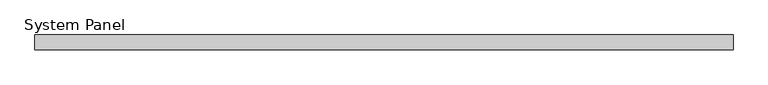
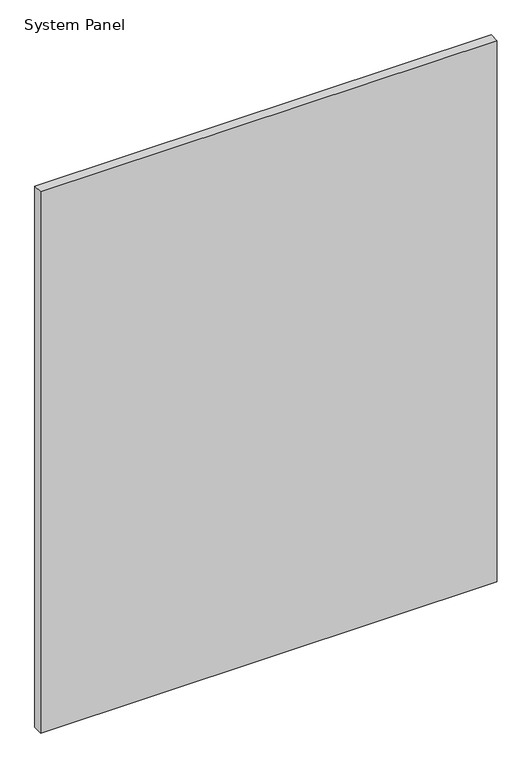
"""IFC4 building model written with IfcOpenShell, lengths in millimetres: plate geometry, System Panel."""

import ifcopenshell
import ifcopenshell.guid

model = None  # the IFC model being written
_history = None  # IfcOwnerHistory: only IFC2X3 demands one
_inside = {}  # id of a spatial element -> (the spatial element, [elements in it])
_under = {}  # id of a project, library or spatial element -> (it, [spatial elements below it])
_declared = {}  # id of a project -> (the project, [libraries it declares])
_typed = {}  # id of a type object -> (the type object, [elements of that type])
_made_of = {}  # id of a material, layer set ... -> (it, [elements and type objects made of it])


def new_model(schema):
    """Start an empty IFC model of exactly this schema.

    Asked for "IFC4X3", IfcOpenShell would pick the latest addendum, in which some entities
    have other attributes; the version numbers below select the first issue.
    IFC2X3 requires an IfcOwnerHistory on every rooted entity: one is made here for all.
    """
    global model, _history
    if schema == "IFC4X3":
        model = ifcopenshell.file(schema_version=(4, 3, 0, 0))
    else:
        model = ifcopenshell.file(schema=schema)
    _inside.clear()
    _under.clear()
    _declared.clear()
    _typed.clear()
    _made_of.clear()
    _history = None
    if model.schema == "IFC2X3":
        org = make("IfcOrganization", Name="unknown")
        user = make(
            "IfcPersonAndOrganization",
            ThePerson=make("IfcPerson", FamilyName="unknown"),
            TheOrganization=org,
        )
        app = make(
            "IfcApplication",
            ApplicationDeveloper=org,
            Version="unknown",
            ApplicationFullName="unknown",
            ApplicationIdentifier="unknown",
        )
        _history = make(
            "IfcOwnerHistory",
            OwningUser=user,
            OwningApplication=app,
            ChangeAction="ADDED",
            CreationDate=0,
        )
    return model


def make(cls, **values):
    """One entity of the class cls with the attributes given. An attribute that is None is left unset."""
    return model.create_entity(
        cls, **{name: value for name, value in values.items() if value is not None}
    )


def rooted(cls, **values):
    """An entity with a GlobalId (a new one), such as an element, a storey or a relation."""
    return make(cls, GlobalId=ifcopenshell.guid.new(), OwnerHistory=_history, **values)


def si_unit(unit_type, name, prefix=None):
    """IfcSIUnit, for example si_unit("LENGTHUNIT", "METRE", prefix="MILLI")."""
    return make("IfcSIUnit", UnitType=unit_type, Prefix=prefix, Name=name)


def assignment(units):
    """IfcUnitAssignment: the units of a project."""
    return None if units is None else make("IfcUnitAssignment", Units=units)


def point(xyz):
    """IfcCartesianPoint."""
    return None if xyz is None else make("IfcCartesianPoint", Coordinates=xyz)


def direction(xyz):
    """IfcDirection."""
    return None if xyz is None else make("IfcDirection", DirectionRatios=xyz)


def frame(location, z_axis=None, x_axis=None):
    """IfcAxis2Placement3D, a coordinate frame: its origin and axes. An axis left out is left unset."""
    return make(
        "IfcAxis2Placement3D",
        Location=point(location),
        Axis=direction(z_axis),
        RefDirection=direction(x_axis),
    )


def origin():
    """The frame at (0, 0, 0) with its axes left unset."""
    return frame((0.0, 0.0, 0.0))


def origin_with_axes():
    """The frame at (0, 0, 0) with the z axis (0, 0, 1) and the x axis (1, 0, 0) written out."""
    return frame((0.0, 0.0, 0.0), z_axis=(0.0, 0.0, 1.0), x_axis=(1.0, 0.0, 0.0))


def place(relative_to, where):
    """IfcLocalPlacement: puts the frame where relative to a parent placement (None: the world)."""
    return make(
        "IfcLocalPlacement", PlacementRelTo=relative_to, RelativePlacement=where
    )


def context(
    kind, dimensions, precision=None, world=None, true_north=None, identifier=None
):
    """IfcGeometricRepresentationContext, for example the 3D "Model" context."""
    return make(
        "IfcGeometricRepresentationContext",
        ContextIdentifier=identifier,
        ContextType=kind,
        CoordinateSpaceDimension=dimensions,
        Precision=precision,
        WorldCoordinateSystem=world,
        TrueNorth=true_north,
    )


def project(units=None, contexts=None):
    """IfcProject with its units and contexts."""
    return rooted(
        "IfcProject",
        Name="project",
        RepresentationContexts=contexts,
        UnitsInContext=assignment(units),
    )


def spatial(cls, under=None, at=None, **own):
    """A site, building, storey or space (cls), placed at a placement, below another one or the project."""
    s = rooted(cls, ObjectPlacement=at, **own)
    if under is not None:
        _under.setdefault(under.id(), (under, []))[1].append(s)
    return s


def polyline(points):
    """IfcPolyline through the points."""
    return make("IfcPolyline", Points=[point(p) for p in points])


def outline(outer, holes=None, kind="AREA"):
    """IfcArbitraryClosedProfileDef: a profile drawn as a closed curve; with holes, ...WithVoids."""
    if holes is None:
        return make("IfcArbitraryClosedProfileDef", ProfileType=kind, OuterCurve=outer)
    return make(
        "IfcArbitraryProfileDefWithVoids",
        ProfileType=kind,
        OuterCurve=outer,
        InnerCurves=holes,
    )


def extrude(swept, where, along, depth):
    """IfcExtrudedAreaSolid: the profile swept, set in the frame where, extruded along a direction by depth."""
    return make(
        "IfcExtrudedAreaSolid",
        SweptArea=swept,
        Position=where,
        ExtrudedDirection=direction(along),
        Depth=depth,
    )


def shape(context_of_items, identifier, shape_type, items):
    """IfcShapeRepresentation: the items that make up one representation, for example the "Body"."""
    return make(
        "IfcShapeRepresentation",
        ContextOfItems=context_of_items,
        RepresentationIdentifier=identifier,
        RepresentationType=shape_type,
        Items=items,
    )


def source(mapping_origin, context_of_items, identifier, shape_type, items):
    """IfcRepresentationMap: a shape defined once, which mapped items show again and again."""
    return make(
        "IfcRepresentationMap",
        MappingOrigin=mapping_origin,
        MappedRepresentation=shape(context_of_items, identifier, shape_type, items),
    )


def transform(
    local_origin,
    x_axis=None,
    y_axis=None,
    z_axis=None,
    scale=None,
    scale2=None,
    scale3=None,
    uniform=True,
):
    """IfcCartesianTransformationOperator3D, or its non-uniform kind. x_axis, y_axis, z_axis: its Axis1, 2, 3."""
    if uniform:
        return make(
            "IfcCartesianTransformationOperator3D",
            Axis1=direction(x_axis),
            Axis2=direction(y_axis),
            LocalOrigin=point(local_origin),
            Scale=scale,
            Axis3=direction(z_axis),
        )
    return make(
        "IfcCartesianTransformationOperator3DnonUniform",
        Axis1=direction(x_axis),
        Axis2=direction(y_axis),
        LocalOrigin=point(local_origin),
        Scale=scale,
        Axis3=direction(z_axis),
        Scale2=scale2,
        Scale3=scale3,
    )


def mapped(mapping_source, mapping_target):
    """IfcMappedItem: shows the shape of a source again, moved by a transform."""
    return make(
        "IfcMappedItem", MappingSource=mapping_source, MappingTarget=mapping_target
    )


def made_of(thing, what):
    """Note that an element or type object is made of a material, layer set ...; save() writes the relation."""
    if what is not None:
        _made_of.setdefault(what.id(), (what, []))[1].append(thing)
    return thing


def element(
    cls,
    number,
    at=None,
    inside=None,
    cuts=None,
    type_object=None,
    material=None,
    context=None,
    identifier="Body",
    shape_type=None,
    held_by="IfcProductDefinitionShape",
    body=None,
    shapes=None,
    **own,
):
    """One element of the class cls, such as IfcWall. Its Tag is "e" and its number.

    at: its placement. inside: the storey or other place that contains it. cuts: it is an
    opening in that element (IfcRelVoidsElement). A single representation is given by context,
    identifier, shape_type and body (its items); several are given by shapes. held_by: the class
    of the entity that holds the representations. save() writes the other relations.
    """
    e = rooted(cls, Tag="e%d" % number, ObjectPlacement=at, **own)
    if body is not None:
        shapes = [shape(context, identifier, shape_type, body)]
    if shapes is not None:
        e.Representation = make(held_by, Representations=shapes)
    if inside is not None:
        _inside.setdefault(inside.id(), (inside, []))[1].append(e)
    if cuts is not None:
        rooted(
            "IfcRelVoidsElement", RelatingBuildingElement=cuts, RelatedOpeningElement=e
        )
    if type_object is not None:
        _typed.setdefault(type_object.id(), (type_object, []))[1].append(e)
    return made_of(e, material)


def aggregate(whole, parts):
    """IfcRelAggregates: a whole, such as a stair, and the parts it consists of."""
    return rooted("IfcRelAggregates", RelatingObject=whole, RelatedObjects=parts)


def save(model, path):
    """Write the relations noted so far, then the file.

    IfcRelAggregates (storeys below a building ...), IfcRelContainedInSpatialStructure (elements
    in a storey), IfcRelDefinesByType, IfcRelAssociatesMaterial and IfcRelDeclares: one each for
    every whole, place, type object, material and project.
    """
    for whole, parts in _under.values():
        aggregate(whole, parts)
    for where, things in _inside.values():
        rooted(
            "IfcRelContainedInSpatialStructure",
            RelatedElements=things,
            RelatingStructure=where,
        )
    for kind, things in _typed.values():
        rooted("IfcRelDefinesByType", RelatedObjects=things, RelatingType=kind)
    for what, things in _made_of.values():
        rooted("IfcRelAssociatesMaterial", RelatedObjects=things, RelatingMaterial=what)
    for by, libraries in _declared.values():
        rooted("IfcRelDeclares", RelatingContext=by, RelatedDefinitions=libraries)
    model.write(path)


def system_panel_3c3e7b29(model_context):
    return source(origin(), model_context, "Body", "SweptSolid", [
        extrude(outline(polyline([(590.55, -22.225), (-590.55, -22.225), (-590.55, 3.175), (590.55, 3.175), (590.55, -22.225)])), origin_with_axes(), (0.0, 0.0, 1.0), 1479.5205481),
    ])


if __name__ == "__main__":
    model = new_model("IFC4")
    model_context = context("Model", 3, world=origin())
    ifc_project = project(units=[si_unit("LENGTHUNIT", "METRE", prefix="MILLI")], contexts=[model_context])
    site = spatial("IfcSite", under=ifc_project)
    building = spatial("IfcBuilding", under=site)
    placement = place(None, origin())
    system_panel_shape = system_panel_3c3e7b29(model_context)
    element("IfcPlate", 1, ObjectType="System Panel", at=placement, inside=building, context=model_context, shape_type="MappedRepresentation", body=[
        mapped(system_panel_shape, transform((0.0, 0.0, 0.0), x_axis=(1.0, 0.0, 0.0), y_axis=(0.0, 1.0, 0.0), z_axis=(0.0, 0.0, 1.0))),
    ])
    save(model, "model.ifc")
